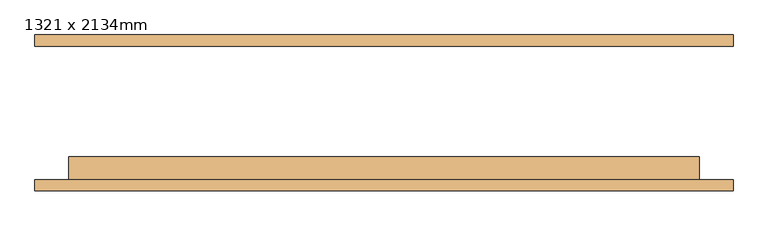
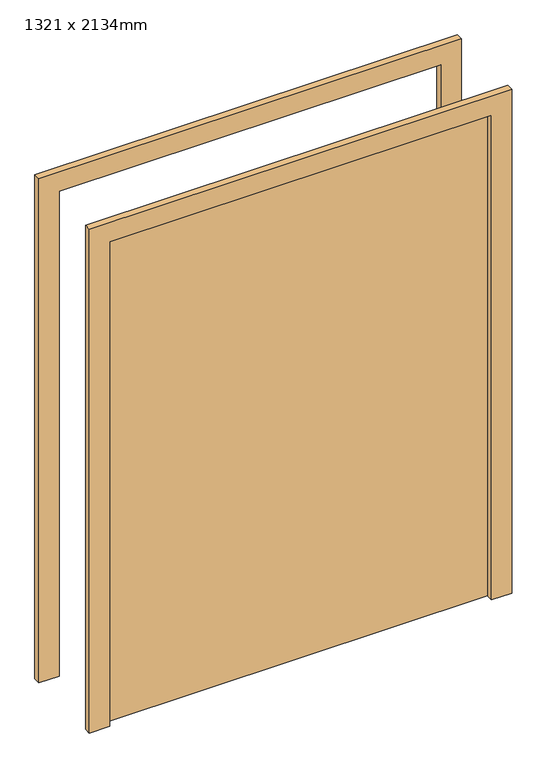
"""IFC4 building model written with IfcOpenShell, lengths in millimetres: door geometry, 1321 x 2134mm."""

from ifc_helpers import new_model, si_unit, frame, origin, origin_with_axes, place, context, project, spatial, polyline, outline, extrude, source, transform, mapped, element, save


def door_1321_x_2134mm_f6d88234(model_context):
    return source(origin(), model_context, "Body", "SweptSolid", [
        extrude(outline(polyline([(102.0, -150.0), (-1314.0, -150.0), (-1314.0, -99.0), (102.0, -99.0), (102.0, -150.0)])), origin_with_axes(), (0.0, 0.0, 1.0), 1900.0),
        extrude(outline(polyline([(1900.0, -1314.0), (1900.0, 102.0), (0.0, 102.0), (0.0, 178.0), (1976.0, 178.0), (1976.0, -1390.0), (0.0, -1390.0), (0.0, -1314.0), (1900.0, -1314.0)])), frame((0.0, 150.0, 0.0), z_axis=(0.0, 1.0, 0.0), x_axis=(0.0, 0.0, 1.0)), (0.0, 0.0, 1.0), 25.0),
        extrude(outline(polyline([(1900.0, -1314.0), (1900.0, 102.0), (0.0, 102.0), (0.0, 178.0), (1976.0, 178.0), (1976.0, -1390.0), (0.0, -1390.0), (0.0, -1314.0), (1900.0, -1314.0)])), frame((0.0, -175.0, 0.0), z_axis=(0.0, 1.0, 0.0), x_axis=(0.0, 0.0, 1.0)), (0.0, 0.0, 1.0), 25.0),
    ])


if __name__ == "__main__":
    model = new_model("IFC4")
    model_context = context("Model", 3, world=origin())
    ifc_project = project(units=[si_unit("LENGTHUNIT", "METRE", prefix="MILLI")], contexts=[model_context])
    site = spatial("IfcSite", under=ifc_project)
    building = spatial("IfcBuilding", under=site)
    placement = place(None, origin())
    door_1321_x_2134mm_shape = door_1321_x_2134mm_f6d88234(model_context)
    element("IfcDoor", 1, ObjectType="1321 x 2134mm", at=placement, inside=building, context=model_context, shape_type="MappedRepresentation", body=[
        mapped(door_1321_x_2134mm_shape, transform((0.0, 0.0, 0.0), x_axis=(1.0, 0.0, 0.0), y_axis=(0.0, 1.0, 0.0), z_axis=(0.0, 0.0, 1.0))),
    ])
    save(model, "model.ifc")
